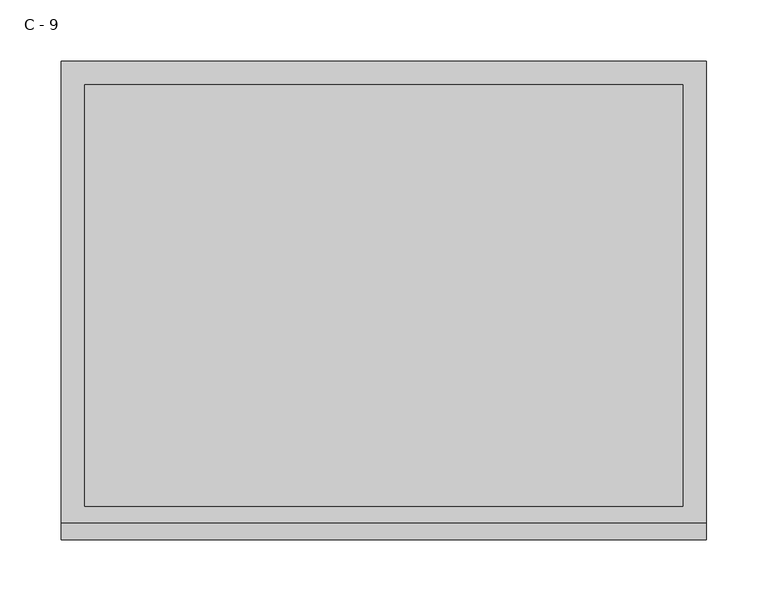
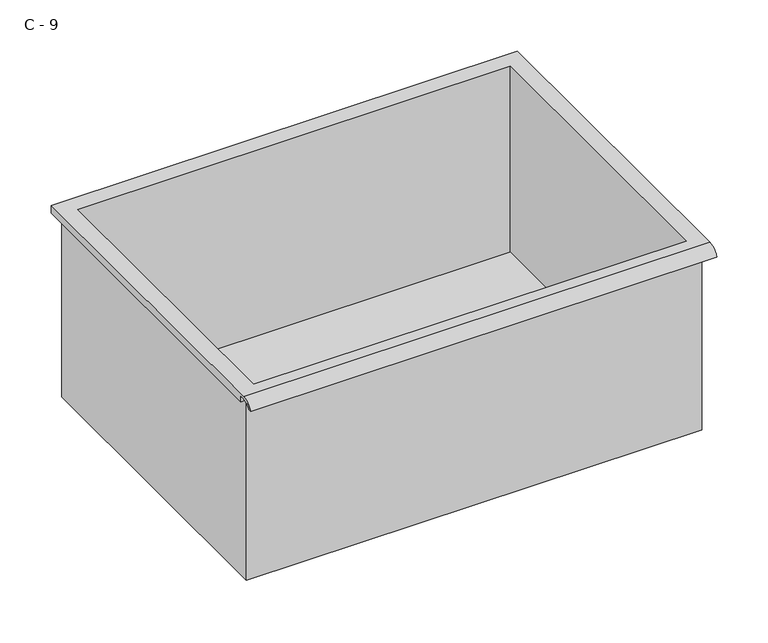
"""IFC4 building model written with IfcOpenShell, lengths in millimetres: furniture geometry, C - 9."""

from ifc_helpers import new_model, si_unit, frame, origin, place, context, project, spatial, polyline, circle_curve, source, transform, mapped, element, save
from ifc_brep_helpers import plane_surface, cylinder_surface, revolved_surface, advanced_brep


def c_9_0edd0b91(model_context):
    return source(origin(), model_context, "Body", "AdvancedBrep", [
        advanced_brep(
        [(-257.1076517, -176.2125, 333.65694), (257.2423483, -176.2125, 333.65694), (257.2423483, -176.2125, 549.55694), (263.5923483, -176.2125, 549.55694), (263.5923483, -176.2125, 555.8640741), (-263.4576517, -176.2125, 555.8640741), (-263.4576517, -176.2125, 549.55694), (-257.1076517, -176.2125, 549.55694), (257.2423483, 185.7375, 333.65694), (-257.1076517, 185.7375, 333.65694), (-257.1076517, 185.7375, 549.55694), (257.2423483, 185.7375, 549.55694), (263.5923483, -181.6070544, 559.08194), (263.5923483, 195.2625, 559.08194), (-263.4576517, 195.2625, 559.08194), (-263.4576517, -181.6070544, 559.08194), (244.5423483, -168.275, 559.08194), (-244.4076517, -168.275, 559.08194), (-244.4076517, 176.2125, 559.08194), (244.5423483, 176.2125, 559.08194), (263.5923483, -195.2625, 549.55694), (263.5923483, -191.8280601, 549.55694), (263.5923483, -180.4714815, 555.8640741), (263.5923483, 195.2625, 549.55694), (-263.4576517, 195.2625, 549.55694), (-263.4576517, -180.4714815, 555.8640741), (-263.4576517, -191.8280601, 549.55694), (-263.4576517, -195.2625, 549.55694), (-244.4076517, -168.275, 336.6831119), (244.5423483, -168.275, 336.6831119), (244.5423483, 176.2125, 336.6831119), (-244.4076517, 176.2125, 336.6831119)],
        [
            (0, 1),
            (1, 2),
            (2, 3),
            (3, 4),
            (4, 5),
            (5, 6),
            (6, 7),
            (7, 0),
            (8, 9),
            (9, 10),
            (10, 11),
            (11, 8),
            (0, 9),
            (8, 1),
            (11, 2),
            (12, 13),
            (13, 14),
            (14, 15),
            (15, 12),
            (16, 17),
            (17, 18),
            (18, 19),
            (19, 16),
            (7, 10),
            (12, 20, circle_curve(frame((263.5923483, -181.6070544, 544.5309259), z_axis=(1.0, 0.0, 0.0), x_axis=(0.0, 1.0, 0.0)), 14.5510141)),
            (20, 21),
            (21, 22, circle_curve(frame((263.5923483, -181.6070544, 544.5309259), z_axis=(-1.0, 0.0, 0.0), x_axis=(0.0, 1.0, 0.0)), 11.3898979)),
            (22, 4),
            (3, 23),
            (23, 13),
            (14, 24),
            (24, 6),
            (5, 25),
            (25, 26, circle_curve(frame((-263.4576517, -181.6070544, 544.5309259), z_axis=(1.0, 0.0, 0.0), x_axis=(0.0, 1.0, 0.0)), 11.3898979)),
            (26, 27),
            (27, 15, circle_curve(frame((-263.4576517, -181.6070544, 544.5309259), z_axis=(-1.0, 0.0, 0.0), x_axis=(0.0, 1.0, 0.0)), 14.5510141)),
            (27, 20),
            (26, 21),
            (25, 22),
            (24, 23),
            (28, 29),
            (29, 30),
            (30, 31),
            (31, 28),
            (28, 17),
            (16, 29),
            (19, 30),
            (18, 31),
        ],
        [
            plane_surface(frame((257.2423483, -176.2125, 333.65694), z_axis=(0.0, -1.0, 0.0), x_axis=(1.0, 0.0, 0.0))),
            plane_surface(frame((257.2423483, 185.7375, 333.65694), z_axis=(0.0, 1.0, 0.0), x_axis=(-1.0, 0.0, 0.0))),
            plane_surface(frame((-257.1076517, -176.2125, 333.65694), z_axis=(0.0, 0.0, -1.0), x_axis=(0.0, 1.0, 0.0))),
            plane_surface(frame((257.2423483, -176.2125, 333.65694), z_axis=(1.0, 0.0, 0.0), x_axis=(0.0, 1.0, 0.0))),
            plane_surface(frame((257.2423483, -176.2125, 559.08194), z_axis=(0.0, 0.0, 1.0), x_axis=(0.0, 1.0, 0.0))),
            plane_surface(frame((-257.1076517, -176.2125, 559.08194), z_axis=(-1.0, 0.0, 0.0), x_axis=(0.0, 1.0, 0.0))),
            plane_surface(frame((263.5923483, 195.2625, 559.08194), z_axis=(1.0, 0.0, 0.0), x_axis=(0.0, -1.0, 0.0))),
            plane_surface(frame((-263.4576517, 195.2625, 559.08194), z_axis=(-1.0, 0.0, 0.0), x_axis=(0.0, 1.0, 0.0))),
            cylinder_surface(frame((-263.4576517, -181.6070544, 544.5309259), z_axis=(1.0, 0.0, 0.0), x_axis=(0.0, 1.0, 0.0)), 14.5510141),
            plane_surface(frame((263.5923483, -195.2625, 549.55694), z_axis=(0.0, -7.15329100106982e-12, -1.0), x_axis=(-1.0, 0.0, 0.0))),
            revolved_surface(polyline([(-263.4576517, -170.21715650000002, 544.5309259), (263.59234829999997, -170.21715650000002, 544.5309259)]), (-263.4576517, -181.6070544, 544.5309259), (-1.0, 0.0, 0.0)),
            plane_surface(frame((263.5923483, -180.4714815, 555.8640741), z_axis=(0.0, -1.7750173723386726e-11, -1.0), x_axis=(-1.0, 0.0, 0.0))),
            plane_surface(frame((263.5923483, -176.2125, 549.55694), z_axis=(0.0, 0.0, -1.0), x_axis=(-1.0, 0.0, 0.0))),
            plane_surface(frame((263.5923483, 195.2625, 549.55694), z_axis=(0.0, 1.0, 0.0), x_axis=(-1.0, 0.0, 0.0))),
            plane_surface(frame((244.5423483, -168.275, 336.6831119), z_axis=(0.0, 0.0, 1.0), x_axis=(-1.0, 0.0, 0.0))),
            plane_surface(frame((-244.4076517, -168.275, 559.08194), z_axis=(0.0, 1.0, 0.0), x_axis=(0.0, 0.0, -1.0))),
            plane_surface(frame((244.5423483, -168.275, 559.08194), z_axis=(-1.0, 0.0, 0.0), x_axis=(0.0, 0.0, -1.0))),
            plane_surface(frame((244.5423483, 176.2125, 559.08194), z_axis=(0.0, -1.0, 0.0), x_axis=(0.0, 0.0, -1.0))),
            plane_surface(frame((-244.4076517, 176.2125, 559.08194), z_axis=(1.0, 0.0, 0.0), x_axis=(0.0, 0.0, -1.0))),
        ],
        [
            (0, [[1, 2, 3, 4, 5, 6, 7, 8]]),
            (1, [[9, 10, 11, 12]]),
            (2, [[-1, 13, -9, 14]]),
            (3, [[-14, -12, 15, -2]]),
            (4, [[16, 17, 18, 19], [20, 21, 22, 23]]),
            (5, [[-13, -8, 24, -10]]),
            (6, [[-16, 25, 26, 27, 28, -4, 29, 30]]),
            (7, [[31, 32, -6, 33, 34, 35, 36, -18]]),
            (8, [[-25, -19, -36, 37]]),
            (9, [[-26, -37, -35, 38]]),
            (10, [[-27, -38, -34, 39]]),
            (11, [[-28, -39, -33, -5]]),
            (12, [[-29, -3, -15, -11, -24, -7, -32, 40]]),
            (13, [[-30, -40, -31, -17]]),
            (14, [[41, 42, 43, 44]]),
            (15, [[-41, 45, -20, 46]]),
            (16, [[-42, -46, -23, 47]]),
            (17, [[-43, -47, -22, 48]]),
            (18, [[-44, -48, -21, -45]]),
        ],
    ),
    ])


if __name__ == "__main__":
    model = new_model("IFC4")
    model_context = context("Model", 3, world=origin())
    ifc_project = project(units=[si_unit("LENGTHUNIT", "METRE", prefix="MILLI")], contexts=[model_context])
    site = spatial("IfcSite", under=ifc_project)
    building = spatial("IfcBuilding", under=site)
    placement = place(None, origin())
    c_9_shape = c_9_0edd0b91(model_context)
    element("IfcFurniture", 1, ObjectType="C - 9", at=placement, inside=building, context=model_context, shape_type="MappedRepresentation", body=[
        mapped(c_9_shape, transform((0.0, 0.0, 0.0), x_axis=(1.0, 0.0, 0.0), y_axis=(0.0, 1.0, 0.0), z_axis=(0.0, 0.0, 1.0))),
    ])
    save(model, "model.ifc")
